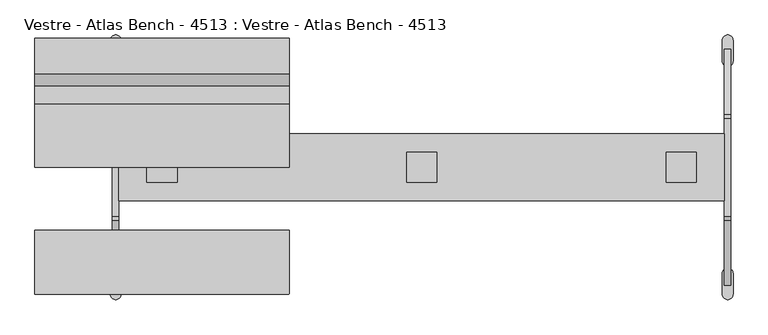
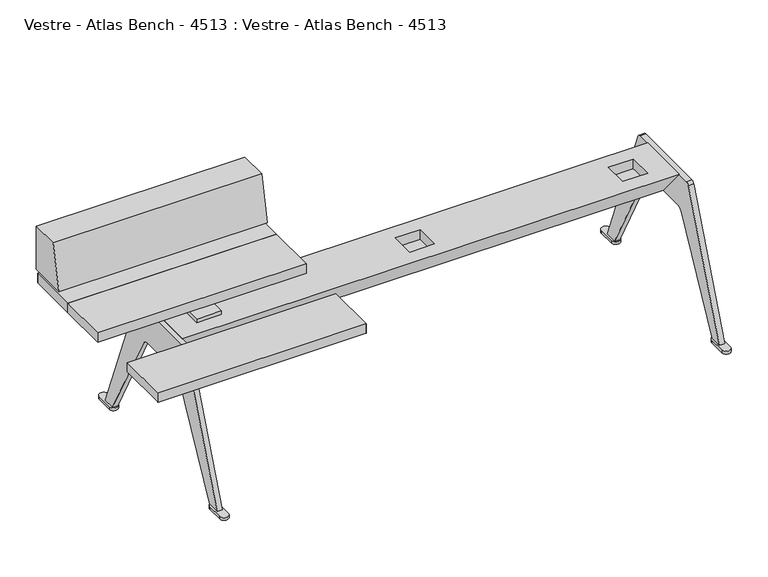
"""IFC4 building model written with IfcOpenShell, lengths in millimetres: furniture geometry, Vestre - Atlas Bench - 4513 : Vestre - Atlas Bench - 4513."""

from ifc_helpers import new_model, si_unit, point, frame, frame_2d, origin, origin_with_axes, place, context, project, spatial, polyline, circle_curve, trimmed, segment, composite_curve, outline, extrude, faceted_brep, source, transform, mapped, element, save


def vestre_atlas_bench_4513_vestre_atlas_bench_4513_083bc1ce(model_context):
    return source(origin(), model_context, "Body", "SolidModel", [
        extrude(outline(polyline([(-307.9998047, 146.0000273), (-307.9998047, 0.0), (-897.9998383, 0.0), (-897.9998383, 146.0000273), (-307.9998047, 146.0000273)])), frame((0.0, 0.0, 410.700222), z_axis=(0.0, 0.0, 1.0), x_axis=(1.0, 0.0, 0.0)), (0.0, 0.0, 1.0), 27.9999988),
        extrude(outline(composite_curve([segment(polyline([(-897.0090675, 294.9999441), (-308.9892687, 294.9999441)]), True, "CONTINUOUS"), segment(trimmed(circle_curve(frame_2d((-308.9892687, 294.0104801)), 0.989464), [point((-308.9892687, 294.9999441))], [point((-307.9998047, 294.0104801))], False, "CARTESIAN"), True, "CONTINUOUS"), segment(polyline([(-307.9998047, 294.0104801), (-307.9998047, 146.0000273), (-897.9998383, 146.0000273), (-897.9998383, 294.0091733)]), True, "CONTINUOUS"), segment(trimmed(circle_curve(frame_2d((-897.0090675, 294.0091733)), 0.9907708), [point((-897.9998383, 294.0091733))], [point((-897.0090675, 294.9999441))], False, "CARTESIAN"), True, "CONTINUOUS")], self_intersect=False)), frame((0.0, 0.0, 410.700222), z_axis=(0.0, 0.0, 1.0), x_axis=(1.0, 0.0, 0.0)), (0.0, 0.0, 1.0), 27.9999988),
        extrude(outline(composite_curve([segment(trimmed(circle_curve(frame_2d((-897.0356228, -294.035874)), 0.9642155), [point((-897.0356228, -295.0000895))], [point((-897.9998383, -294.035874))], False, "CARTESIAN"), True, "CONTINUOUS"), segment(polyline([(-897.9998383, -294.035874), (-897.9998383, -146.0000273), (-307.9998047, -146.0000273), (-307.9998047, -294.0016577)]), True, "CONTINUOUS"), segment(trimmed(circle_curve(frame_2d((-308.9982364, -294.0016577)), 0.9984317), [point((-307.9998047, -294.0016577))], [point((-308.9982364, -295.0000895))], False, "CARTESIAN"), True, "CONTINUOUS"), segment(polyline([(-308.9982364, -295.0000895), (-897.0356228, -295.0000895)]), True, "CONTINUOUS")], self_intersect=False)), frame((0.0, 0.0, 410.700222), z_axis=(0.0, 0.0, 1.0), x_axis=(1.0, 0.0, 0.0)), (0.0, 0.0, 1.0), 27.9999988),
        extrude(outline(polyline([(-568.0002136, 34.9999712), (-568.0002136, -34.9999712), (-637.9994293, -34.9999712), (-637.9994293, 34.9999712), (-568.0002136, 34.9999712)])), frame((0.0, 0.0, 370.8502198), z_axis=(0.0, 0.0, 1.0), x_axis=(1.0, 0.0, 0.0)), (0.0, 0.0, 1.0), 39.8500022),
        extrude(outline(polyline([(217.1636487, 576.7003109), (299.9998569, 576.7003109), (299.9998569, 447.2002107), (189.6375526, 447.2002107), (217.1636487, 576.7003109)])), frame((-897.9998383, 0.0, 0.0), z_axis=(1.0, 0.0, 0.0), x_axis=(0.0, 1.0, 0.0)), (0.0, 0.0, 1.0), 590.0000336),
        faceted_brep([(703.0001129, 0.0, 304.9999878), (703.0001129, 77.4828432, 400.0000031), (703.0001129, -77.4832792, 400.0000031), (-703.0001129, 0.0, 304.9999878), (-703.0001129, -77.4832792, 400.0000031), (-703.0001129, 77.4828432, 400.0000031), (-568.0002136, 34.9996805, 400.0000031), (-568.0002136, -35.0001165, 400.0000031), (-638.0000107, -35.0001165, 400.0000031), (-638.0000107, 34.9996805, 400.0000031), (35.0001892, 34.9996805, 400.0000031), (35.0001892, -35.0001165, 400.0000031), (-35.0001892, -35.0001165, 400.0000031), (-35.0001892, 34.9996805, 400.0000031), (638.0000107, -35.0001165, 400.0000031), (568.0002136, -35.0001165, 400.0000031), (568.0002136, 34.9996805, 400.0000031), (638.0000107, 34.9996805, 400.0000031), (-568.0002136, -35.0001165, 370.8502198), (-568.0002136, 34.9996805, 370.8502198), (-638.0000107, 34.9996805, 370.8502198), (-638.0000107, -35.0001165, 370.8502198), (35.0001892, -35.0001165, 370.8502198), (35.0001892, 34.9996805, 370.8502198), (-35.0001892, 34.9996805, 370.8502198), (-35.0001892, -35.0001165, 370.8502198), (568.0002136, -35.0001165, 370.8502198), (638.0000107, -35.0001165, 370.8502198), (638.0000107, 34.9996805, 370.8502198), (568.0002136, 34.9996805, 370.8502198)], [[[0, 1, 2]], [[3, 4, 5]], [[1, 0, 3, 5]], [[2, 1, 5, 4], [6, 7, 8, 9], [10, 11, 12, 13], [14, 15, 16, 17]], [[0, 2, 4, 3]], [[18, 19, 20, 21]], [[22, 23, 24, 25]], [[26, 27, 28, 29]], [[19, 18, 7, 6]], [[20, 19, 6, 9]], [[21, 20, 9, 8]], [[18, 21, 8, 7]], [[23, 22, 11, 10]], [[24, 23, 10, 13]], [[25, 24, 13, 12]], [[22, 25, 12, 11]], [[27, 26, 15, 14]], [[28, 27, 14, 17]], [[29, 28, 17, 16]], [[26, 29, 16, 15]]]),
        extrude(outline(composite_curve([segment(polyline([(274.4581476, 7.85), (238.7432621, 7.85), (86.6507551, 294.3770811)]), True, "CONTINUOUS"), segment(trimmed(circle_curve(frame_2d((68.9852486, 284.9999878)), 20.0), [point((86.6507551, 294.3770811))], [point((68.9852486, 304.9999878))], True, "CARTESIAN"), True, "CONTINUOUS"), segment(polyline([(68.9852486, 304.9999878), (-68.9852486, 304.9999878)]), True, "CONTINUOUS"), segment(trimmed(circle_curve(frame_2d((-68.9852486, 284.9999878)), 20.0), [point((-68.9852486, 304.9999878))], [point((-86.6507551, 294.3770811))], True, "CARTESIAN"), True, "CONTINUOUS"), segment(polyline([(-86.6507551, 294.3770811), (-238.7432621, 7.85), (-274.4581476, 7.85), (-122.5040271, 393.6645503)]), True, "CONTINUOUS"), segment(trimmed(circle_curve(frame_2d((-113.1996683, 390.0000031)), 10.0), [point((-122.5040271, 393.6645503))], [point((-113.1996683, 400.0000031))], False, "CARTESIAN"), True, "CONTINUOUS"), segment(polyline([(-113.1996683, 400.0000031), (113.1996683, 400.0000031)]), True, "CONTINUOUS"), segment(trimmed(circle_curve(frame_2d((113.1996683, 390.0000031)), 10.0), [point((113.1996683, 400.0000031))], [point((122.5040271, 393.6645503))], False, "CARTESIAN"), True, "CONTINUOUS"), segment(polyline([(122.5040271, 393.6645503), (274.4581476, 7.85)]), True, "CONTINUOUS")], self_intersect=False)), frame((703.0001129, 0.0, 0.0), z_axis=(1.0, 0.0, 0.0), x_axis=(0.0, 1.0, 0.0)), (0.0, 0.0, 1.0), 15.0002472),
        extrude(outline(composite_curve([segment(trimmed(circle_curve(frame_2d((-710.4999458, 294.7881019)), 12.5001091), [point((-723.0000549, 294.7881019))], [point((-697.9998367, 294.7881019))], False, "CARTESIAN"), True, "CONTINUOUS"), segment(polyline([(-697.9998367, 294.7881019), (-697.9998367, 246.6671022)]), True, "CONTINUOUS"), segment(trimmed(circle_curve(frame_2d((-710.4999458, 246.6671022)), 12.5001091), [point((-697.9998367, 246.6671022))], [point((-723.0000549, 246.6671022))], False, "CARTESIAN"), True, "CONTINUOUS"), segment(polyline([(-723.0000549, 246.6671022), (-723.0000549, 294.7881019)]), True, "CONTINUOUS")], self_intersect=False)), origin_with_axes(), (0.0, 0.0, 1.0), 7.85),
        extrude(outline(composite_curve([segment(polyline([(723.0000549, 294.7881019), (723.0000549, 246.6671022)]), True, "CONTINUOUS"), segment(trimmed(circle_curve(frame_2d((710.4999458, 246.6671022)), 12.5001091), [point((723.0000549, 246.6671022))], [point((697.9998367, 246.6671022))], False, "CARTESIAN"), True, "CONTINUOUS"), segment(polyline([(697.9998367, 246.6671022), (697.9998367, 294.7881019)]), True, "CONTINUOUS"), segment(trimmed(circle_curve(frame_2d((710.4999458, 294.7881019)), 12.5001091), [point((697.9998367, 294.7881019))], [point((723.0000549, 294.7881019))], False, "CARTESIAN"), True, "CONTINUOUS")], self_intersect=False)), origin_with_axes(), (0.0, 0.0, 1.0), 7.85),
        extrude(outline(composite_curve([segment(polyline([(-723.0000549, -294.7881019), (-723.0000549, -246.6671022)]), True, "CONTINUOUS"), segment(trimmed(circle_curve(frame_2d((-710.4999458, -246.6671022)), 12.5001091), [point((-723.0000549, -246.6671022))], [point((-697.9998367, -246.6671022))], False, "CARTESIAN"), True, "CONTINUOUS"), segment(polyline([(-697.9998367, -246.6671022), (-697.9998367, -294.7881019)]), True, "CONTINUOUS"), segment(trimmed(circle_curve(frame_2d((-710.4999458, -294.7881019)), 12.5001091), [point((-697.9998367, -294.7881019))], [point((-723.0000549, -294.7881019))], False, "CARTESIAN"), True, "CONTINUOUS")], self_intersect=False)), origin_with_axes(), (0.0, 0.0, 1.0), 7.85),
        extrude(outline(composite_curve([segment(trimmed(circle_curve(frame_2d((710.4999458, -294.7881019)), 12.5001091), [point((723.0000549, -294.7881019))], [point((697.9998367, -294.7881019))], False, "CARTESIAN"), True, "CONTINUOUS"), segment(polyline([(697.9998367, -294.7881019), (697.9998367, -246.6671022)]), True, "CONTINUOUS"), segment(trimmed(circle_curve(frame_2d((710.4999458, -246.6671022)), 12.5001091), [point((697.9998367, -246.6671022))], [point((723.0000549, -246.6671022))], False, "CARTESIAN"), True, "CONTINUOUS"), segment(polyline([(723.0000549, -246.6671022), (723.0000549, -294.7881019)]), True, "CONTINUOUS")], self_intersect=False)), origin_with_axes(), (0.0, 0.0, 1.0), 7.85),
        extrude(outline(composite_curve([segment(polyline([(274.4581476, 7.85), (238.7432621, 7.85), (86.6507551, 294.3770811)]), True, "CONTINUOUS"), segment(trimmed(circle_curve(frame_2d((68.9852486, 284.9999878)), 20.0), [point((86.6507551, 294.3770811))], [point((68.9852486, 304.9999878))], True, "CARTESIAN"), True, "CONTINUOUS"), segment(polyline([(68.9852486, 304.9999878), (-68.9852486, 304.9999878)]), True, "CONTINUOUS"), segment(trimmed(circle_curve(frame_2d((-68.9852486, 284.9999878)), 20.0), [point((-68.9852486, 304.9999878))], [point((-86.6507551, 294.3770811))], True, "CARTESIAN"), True, "CONTINUOUS"), segment(polyline([(-86.6507551, 294.3770811), (-238.7432621, 7.85), (-274.4581476, 7.85), (-122.5040271, 393.6645503)]), True, "CONTINUOUS"), segment(trimmed(circle_curve(frame_2d((-113.1996683, 390.0000031)), 10.0), [point((-122.5040271, 393.6645503))], [point((-113.1996683, 400.0000031))], False, "CARTESIAN"), True, "CONTINUOUS"), segment(polyline([(-113.1996683, 400.0000031), (113.1996683, 400.0000031)]), True, "CONTINUOUS"), segment(trimmed(circle_curve(frame_2d((113.1996683, 390.0000031)), 10.0), [point((113.1996683, 400.0000031))], [point((122.5040271, 393.6645503))], False, "CARTESIAN"), True, "CONTINUOUS"), segment(polyline([(122.5040271, 393.6645503), (274.4581476, 7.85)]), True, "CONTINUOUS")], self_intersect=False)), frame((-718.0003601, 0.0, 0.0), z_axis=(1.0, 0.0, 0.0), x_axis=(0.0, 1.0, 0.0)), (0.0, 0.0, 1.0), 15.0002472),
    ])


if __name__ == "__main__":
    model = new_model("IFC4")
    model_context = context("Model", 3, world=origin())
    ifc_project = project(units=[si_unit("LENGTHUNIT", "METRE", prefix="MILLI")], contexts=[model_context])
    site = spatial("IfcSite", under=ifc_project)
    building = spatial("IfcBuilding", under=site)
    placement = place(None, origin())
    vestre_atlas_bench_4513_vestre_atlas_bench_4513_shape = vestre_atlas_bench_4513_vestre_atlas_bench_4513_083bc1ce(model_context)
    element("IfcFurniture", 1, ObjectType="Vestre - Atlas Bench - 4513 : Vestre - Atlas Bench - 4513", at=placement, inside=building, context=model_context, shape_type="MappedRepresentation", body=[
        mapped(vestre_atlas_bench_4513_vestre_atlas_bench_4513_shape, transform((0.0, 0.0, 0.0), x_axis=(1.0, 0.0, 0.0), y_axis=(0.0, 1.0, 0.0), z_axis=(0.0, 0.0, 1.0))),
    ])
    save(model, "model.ifc")
